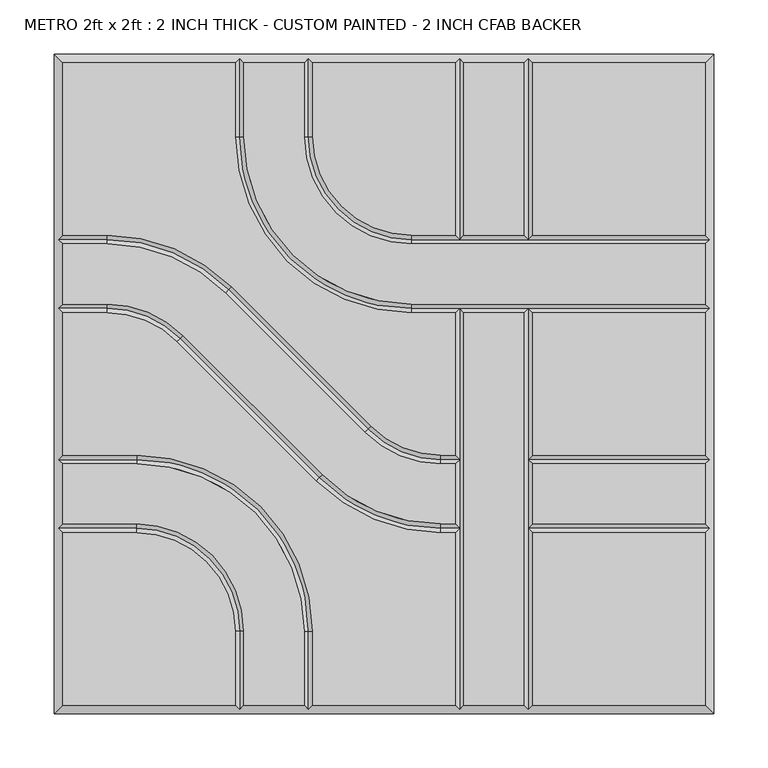
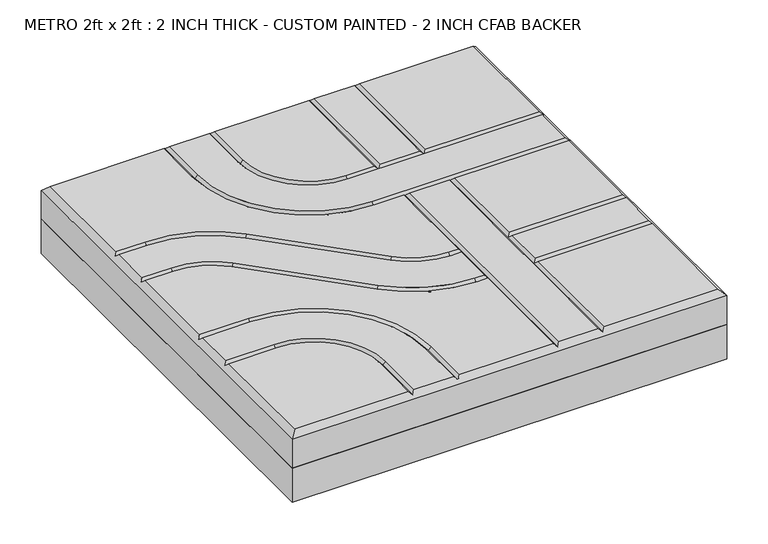
"""IFC4 building model written with IfcOpenShell, lengths in millimetres: proxy geometry, METRO 2ft x 2ft : 2 INCH THICK - CUSTOM PAINTED - 2 INCH CFAB BACKER."""

from ifc_helpers import new_model, si_unit, frame, origin, place, context, project, spatial, polyline, circle_curve, outline, extrude, source, transform, mapped, element, save
from ifc_brep_helpers import plane_surface, revolved_surface, advanced_brep


def metro_2ft_x_2ft_2_inch_thick_custom_painted_2_inch_cfab_a414dcf1(model_context):
    return source(origin(), model_context, "Body", "SolidModel", [
        extrude(outline(polyline([(-304.8, 304.8), (304.8, 304.8), (304.8, -304.8), (-304.8, -304.8), (-304.8, 304.8)])), frame((0.0, 0.0, -50.8), z_axis=(0.0, 0.0, 1.0), x_axis=(1.0, 0.0, 0.0)), (0.0, 0.0, 1.0), 50.8),
        advanced_brep(
        [(-296.799, 296.799, 50.8), (-296.799, 137.3505125, 50.8), (-255.8081898, 137.3505125, 50.8), (-140.7286116, 89.6843987, 50.8), (-11.9143433, -39.124488, 50.8), (52.607449, -65.8495, 50.8), (65.8495, -65.8495, 50.8), (65.8495, 65.8494982, 50.8), (25.3995376, 65.8494982, 50.8), (-137.3509624, 228.5999982, 50.8), (-137.3509624, 296.799, 50.8), (296.799, 137.3504983, 50.8), (296.799, 296.799, 50.8), (137.3504989, 296.799, 50.8), (137.3504989, 137.3504983, 50.8), (-296.799, -137.3504992, 50.8), (-296.799, -296.799, 50.8), (-137.3505299, -296.799, 50.8), (-137.3505299, -228.5999992, 50.8), (-228.6000299, -137.3504992, 50.8), (137.3505, -296.799, 50.8), (296.799, -296.799, 50.8), (296.799, -137.3505, 50.8), (137.3505, -137.3505, 50.8), (52.607449, -73.8505, 50.8), (-17.5717865, -44.7821676, 50.8), (-146.3860548, 84.0267191, 50.8), (-255.8081898, 129.3495125, 50.8), (-296.799, 129.3495125, 50.8), (-296.799, 73.8505125, 50.8), (-255.8074396, 73.8505125, 50.8), (-185.6278585, 44.7818346, 50.8), (-56.8157432, -84.0261678, 50.8), (52.6069307, -129.3495, 50.8), (65.8495, -129.3495, 50.8), (65.8495, -73.8505, 50.8), (52.6069307, -137.3505, 50.8), (-62.4732142, -89.6838195, 50.8), (-191.2853295, 39.1241829, 50.8), (-255.8074396, 65.8495125, 50.8), (-296.799, 65.8495125, 50.8), (-296.799, -65.8494992, 50.8), (-228.6000171, -65.8494992, 50.8), (-65.8495171, -228.5999992, 50.8), (-65.8495171, -296.799, 50.8), (65.8495, -296.799, 50.8), (65.8495, -137.3505, 50.8), (-129.3495299, -228.5999992, 50.8), (-129.3495299, -296.799, 50.8), (-73.8505171, -296.799, 50.8), (-73.8505171, -228.5999992, 50.8), (-228.6000171, -73.8504992, 50.8), (-296.799, -73.8504992, 50.8), (-296.799, -129.3494992, 50.8), (-228.6000299, -129.3494992, 50.8), (-129.3499624, 296.799, 50.8), (-129.3499624, 228.5999982, 50.8), (25.3995376, 73.8504982, 50.8), (296.799, 73.8504982, 50.8), (296.799, 129.3494983, 50.8), (25.3995504, 129.3494983, 50.8), (-73.8509496, 228.5999983, 50.8), (-73.8509496, 296.799, 50.8), (-65.8499496, 296.799, 50.8), (-65.8499496, 228.5999983, 50.8), (25.3995504, 137.3504983, 50.8), (65.8494989, 137.3504983, 50.8), (65.8494989, 296.799, 50.8), (73.8504989, 296.799, 50.8), (73.8504989, 137.3504983, 50.8), (129.3494989, 137.3504983, 50.8), (129.3494989, 296.799, 50.8), (73.8505, 65.8494982, 50.8), (73.8505, -296.799, 50.8), (129.3495, -296.799, 50.8), (129.3495, 65.8494982, 50.8), (296.799, 65.8494982, 50.8), (137.3505, 65.8494982, 50.8), (137.3505, -65.8495, 50.8), (296.799, -65.8495, 50.8), (137.3505, -129.3495, 50.8), (296.799, -129.3495, 50.8), (296.799, -73.8505, 50.8), (137.3505, -73.8505, 50.8), (-304.8, 304.8, 0.0), (304.8, 304.8, 0.0), (304.8, -304.8, 0.0), (-304.8, -304.8, 0.0), (-304.8, -304.8, 42.799), (-304.8, 304.8, 42.799), (304.8, -304.8, 42.799), (304.8, 304.8, 42.799), (-133.3504624, 300.7995, 46.7995), (-69.8504496, 300.7995, 46.7995), (69.8499989, 300.7995, 46.7995), (133.3499989, 300.7995, 46.7995), (-300.7995, -133.3499992, 46.7995), (-300.7995, -69.8499992, 46.7995), (-300.7995, 69.8500125, 46.7995), (-300.7995, 133.3500125, 46.7995), (133.35, -300.7995, 46.7995), (69.85, -300.7995, 46.7995), (-69.8500171, -300.7995, 46.7995), (-133.3500299, -300.7995, 46.7995), (300.7995, 133.3499983, 46.7995), (300.7995, 69.8499982, 46.7995), (300.7995, -69.85, 46.7995), (300.7995, -133.35, 46.7995), (69.85, -69.85, 46.7995), (52.607449, -69.85, 46.7995), (-14.7430649, -41.9533278, 46.7995), (-143.5573332, 86.8555589, 46.7995), (-255.8081898, 133.3500125, 46.7995), (69.85, -133.35, 46.7995), (52.6069307, -133.35, 46.7995), (-59.6444787, -86.8549936, 46.7995), (-188.456594, 41.9530087, 46.7995), (-255.8074396, 69.8500125, 46.7995), (-133.3500299, -228.5999992, 46.7995), (-228.6000299, -133.3499992, 46.7995), (-228.6000171, -69.8499992, 46.7995), (-69.8500171, -228.5999992, 46.7995), (-133.3504624, 228.5999982, 46.7995), (25.3995376, 69.8499982, 46.7995), (69.85, 69.8499982, 46.7995), (133.35, 69.8499982, 46.7995), (-69.8504496, 228.5999983, 46.7995), (25.3995504, 133.3499983, 46.7995), (133.3499989, 133.3499983, 46.7995), (69.8499989, 133.3499983, 46.7995), (133.35, -133.35, 46.7995), (133.35, -69.85, 46.7995)],
        [
            (0, 1),
            (1, 2),
            (2, 3, circle_curve(frame((-255.8081898, -25.3999875, 50.8), z_axis=(0.0, 0.0, -1.0), x_axis=(0.7070920101993013, 0.7071215518652442, 0.0)), 162.7505)),
            (3, 4),
            (4, 5, circle_curve(frame((52.607449, 25.4, 50.8), z_axis=(0.0, 0.0, 1.0), x_axis=(0.0, -1.0, 0.0)), 91.2495)),
            (5, 6),
            (6, 7),
            (7, 8),
            (8, 9, circle_curve(frame((25.3995376, 228.5999982, 50.8), z_axis=(0.0, 0.0, -1.0), x_axis=(-1.0, 0.0, 0.0)), 162.7505)),
            (9, 10),
            (10, 0),
            (11, 12),
            (12, 13),
            (13, 14),
            (14, 11),
            (15, 16),
            (16, 17),
            (17, 18),
            (18, 19, circle_curve(frame((-228.6000299, -228.5999992, 50.8), z_axis=(0.0, 0.0, 1.0), x_axis=(1.0, 0.0, 0.0)), 91.2495)),
            (19, 15),
            (20, 21),
            (21, 22),
            (22, 23),
            (23, 20),
            (24, 25, circle_curve(frame((52.607449, 25.4, 50.8), z_axis=(0.0, 0.0, -1.0), x_axis=(0.0, -1.0, 0.0)), 99.2505)),
            (25, 26),
            (26, 27, circle_curve(frame((-255.8081898, -25.3999875, 50.8), z_axis=(0.0, 0.0, 1.0), x_axis=(0.7070920101993013, 0.7071215518652442, 0.0)), 154.7495)),
            (27, 28),
            (28, 29),
            (29, 30),
            (30, 31, circle_curve(frame((-255.8074396, -25.3999875, 50.8), z_axis=(0.0, 0.0, -1.0), x_axis=(0.7070954919838734, 0.7071180702089884, 0.0)), 99.2505)),
            (31, 32),
            (32, 33, circle_curve(frame((52.6069307, 25.4, 50.8), z_axis=(0.0, 0.0, 1.0), x_axis=(0.0, -1.0, 0.0)), 154.7495)),
            (33, 34),
            (34, 35),
            (35, 24),
            (36, 37, circle_curve(frame((52.6069307, 25.4, 50.8), z_axis=(0.0, 0.0, -1.0), x_axis=(0.0, -1.0, 0.0)), 162.7505)),
            (37, 38),
            (38, 39, circle_curve(frame((-255.8074396, -25.3999875, 50.8), z_axis=(0.0, 0.0, 1.0), x_axis=(0.7070954919838734, 0.7071180702089884, 0.0)), 91.2495)),
            (39, 40),
            (40, 41),
            (41, 42),
            (42, 43, circle_curve(frame((-228.6000171, -228.5999992, 50.8), z_axis=(0.0, 0.0, -1.0), x_axis=(0.0, 1.0, 0.0)), 162.7505)),
            (43, 44),
            (44, 45),
            (45, 46),
            (46, 36),
            (47, 48),
            (48, 49),
            (49, 50),
            (50, 51, circle_curve(frame((-228.6000171, -228.5999992, 50.8), z_axis=(0.0, 0.0, 1.0), x_axis=(0.0, 1.0, 0.0)), 154.7495)),
            (51, 52),
            (52, 53),
            (53, 54),
            (54, 47, circle_curve(frame((-228.6000299, -228.5999992, 50.8), z_axis=(0.0, 0.0, -1.0), x_axis=(1.0, 0.0, 0.0)), 99.2505)),
            (55, 56),
            (56, 57, circle_curve(frame((25.3995376, 228.5999982, 50.8), z_axis=(0.0, 0.0, 1.0), x_axis=(-1.0, 0.0, 0.0)), 154.7495)),
            (57, 58),
            (58, 59),
            (59, 60),
            (60, 61, circle_curve(frame((25.3995504, 228.5999983, 50.8), z_axis=(0.0, 0.0, -1.0), x_axis=(-1.0, 0.0, 0.0)), 99.2505)),
            (61, 62),
            (62, 55),
            (63, 64),
            (64, 65, circle_curve(frame((25.3995504, 228.5999983, 50.8), z_axis=(0.0, 0.0, 1.0), x_axis=(-1.0, 0.0, 0.0)), 91.2495)),
            (65, 66),
            (66, 67),
            (67, 63),
            (68, 69),
            (69, 70),
            (70, 71),
            (71, 68),
            (72, 73),
            (73, 74),
            (74, 75),
            (75, 72),
            (76, 77),
            (77, 78),
            (78, 79),
            (79, 76),
            (80, 81),
            (81, 82),
            (82, 83),
            (83, 80),
            (84, 85),
            (85, 86),
            (86, 87),
            (87, 84),
            (87, 88),
            (88, 89),
            (89, 84),
            (86, 90),
            (90, 88),
            (85, 91),
            (91, 90),
            (89, 91),
            (89, 0),
            (10, 92),
            (92, 55),
            (62, 93),
            (93, 63),
            (67, 94),
            (94, 68),
            (71, 95),
            (95, 13),
            (12, 91),
            (88, 16),
            (15, 96),
            (96, 53),
            (52, 97),
            (97, 41),
            (40, 98),
            (98, 29),
            (28, 99),
            (99, 1),
            (90, 21),
            (20, 100),
            (100, 74),
            (73, 101),
            (101, 45),
            (44, 102),
            (102, 49),
            (48, 103),
            (103, 17),
            (11, 104),
            (104, 59),
            (58, 105),
            (105, 76),
            (79, 106),
            (106, 82),
            (81, 107),
            (107, 22),
            (108, 109),
            (109, 24),
            (35, 108),
            (108, 6),
            (5, 109),
            (109, 110, circle_curve(frame((52.607449, 25.4, 46.7995), z_axis=(0.0, 0.0, -1.0), x_axis=(0.0, -1.0, 0.0)), 95.25)),
            (110, 25),
            (4, 110),
            (110, 111),
            (111, 26),
            (3, 111),
            (111, 112, circle_curve(frame((-255.8081898, -25.3999875, 46.7995), z_axis=(0.0, 0.0, 1.0), x_axis=(0.7070920101993013, 0.7071215518652442, 0.0)), 158.75)),
            (112, 27),
            (2, 112),
            (112, 99),
            (113, 114),
            (114, 36),
            (46, 113),
            (113, 34),
            (33, 114),
            (114, 115, circle_curve(frame((52.6069307, 25.4, 46.7995), z_axis=(0.0, 0.0, -1.0), x_axis=(0.0, -1.0, 0.0)), 158.75)),
            (115, 37),
            (32, 115),
            (115, 116),
            (116, 38),
            (31, 116),
            (116, 117, circle_curve(frame((-255.8074396, -25.3999875, 46.7995), z_axis=(0.0, 0.0, 1.0), x_axis=(0.7070954919838734, 0.7071180702089884, 0.0)), 95.25)),
            (117, 39),
            (30, 117),
            (117, 98),
            (118, 18),
            (103, 118),
            (47, 118),
            (118, 119, circle_curve(frame((-228.6000299, -228.5999992, 46.7995), z_axis=(0.0, 0.0, 1.0), x_axis=(1.0, 0.0, 0.0)), 95.25)),
            (119, 19),
            (54, 119),
            (119, 96),
            (120, 42),
            (97, 120),
            (51, 120),
            (120, 121, circle_curve(frame((-228.6000171, -228.5999992, 46.7995), z_axis=(0.0, 0.0, -1.0), x_axis=(0.0, 1.0, 0.0)), 158.75)),
            (121, 43),
            (50, 121),
            (121, 102),
            (122, 56),
            (92, 122),
            (9, 122),
            (122, 123, circle_curve(frame((25.3995376, 228.5999982, 46.7995), z_axis=(0.0, 0.0, 1.0), x_axis=(-1.0, 0.0, 0.0)), 158.75)),
            (123, 57),
            (8, 123),
            (123, 124),
            (124, 125),
            (125, 105),
            (125, 77),
            (7, 124),
            (124, 72),
            (75, 125),
            (126, 64),
            (93, 126),
            (61, 126),
            (126, 127, circle_curve(frame((25.3995504, 228.5999983, 46.7995), z_axis=(0.0, 0.0, 1.0), x_axis=(-1.0, 0.0, 0.0)), 95.25)),
            (127, 65),
            (60, 127),
            (14, 128),
            (128, 104),
            (127, 129),
            (129, 66),
            (69, 129),
            (129, 128),
            (128, 70),
            (129, 94),
            (128, 95),
            (108, 124),
            (113, 108),
            (101, 113),
            (100, 130),
            (130, 131),
            (131, 125),
            (23, 130),
            (131, 78),
            (130, 80),
            (83, 131),
            (107, 130),
            (106, 131),
        ],
        [
            plane_surface(frame((-304.8, 304.8, 50.8), z_axis=(0.0, 0.0, 1.0), x_axis=(0.0, -1.0, 0.0))),
            plane_surface(frame((-304.8, 304.8, 0.0), z_axis=(0.0, 0.0, -1.0), x_axis=(0.0, 1.0, 0.0))),
            plane_surface(frame((-304.8, 304.8, 50.8), z_axis=(-1.0, 0.0, 0.0), x_axis=(0.0, 0.0, -1.0))),
            plane_surface(frame((-304.8, -304.8, 50.8), z_axis=(0.0, -1.0, 0.0), x_axis=(0.0, 0.0, -1.0))),
            plane_surface(frame((304.8, -304.8, 50.8), z_axis=(1.0, 0.0, 0.0), x_axis=(0.0, 0.0, -1.0))),
            plane_surface(frame((304.8, 304.8, 50.8), z_axis=(0.0, 1.0, 0.0), x_axis=(0.0, 0.0, -1.0))),
            plane_surface(frame((296.799, 296.799, 50.8), z_axis=(0.0, 0.707106781186547, 0.7071067811865481), x_axis=(-1.0, 0.0, 0.0))),
            plane_surface(frame((-296.799, 296.799, 50.8), z_axis=(-0.707106781186547, 0.0, 0.7071067811865481), x_axis=(0.0, -1.0, 0.0))),
            plane_surface(frame((-296.799, -296.799, 50.8), z_axis=(0.0, -0.707106781186547, 0.7071067811865481), x_axis=(1.0, 0.0, 0.0))),
            plane_surface(frame((296.799, -296.799, 50.8), z_axis=(0.707106781186547, 0.0, 0.7071067811865481), x_axis=(0.0, 1.0, 0.0))),
            plane_surface(frame((69.85, -73.8505, 50.8), z_axis=(0.0, 0.7071067811865469, 0.7071067811865482), x_axis=(-1.0, 0.0, 0.0))),
            plane_surface(frame((69.85, -69.85, 46.7995), z_axis=(0.0, -0.7071067811865469, 0.7071067811865482), x_axis=(-1.0, 0.0, 0.0))),
            revolved_surface(polyline([(52.607449, -69.85, 46.7995), (52.607449, -73.8505, 50.8)]), (52.607449, 25.4, 50.8), (0.0, 0.0, -1.0)),
            revolved_surface(polyline([(52.607449, -65.8495, 50.8), (52.607449, -69.85, 46.7995)]), (52.607449, 25.4, 50.8), (0.0, 0.0, -1.0)),
            plane_surface(frame((-17.5717865, -44.7821676, 50.8), z_axis=(0.49998955533475287, 0.5000104444470687, 0.7071067811865481), x_axis=(-0.7071215518652442, 0.7070920101993012, 0.0))),
            plane_surface(frame((-14.7430649, -41.9533278, 46.7995), z_axis=(-0.49998955533475287, -0.5000104444470689, 0.7071067811865483), x_axis=(-0.7071215518652444, 0.7070920101993012, 0.0))),
            revolved_surface(polyline([(-143.5573332, 86.8555589, 46.7995), (-146.3860548, 84.0267191, 50.8)]), (-255.8081898, -25.3999875, 50.8), (0.0, 0.0, 1.0)),
            revolved_surface(polyline([(-140.7286116, 89.6843987, 50.8), (-143.5573332, 86.8555589, 46.7995)]), (-255.8081898, -25.3999875, 50.8), (0.0, 0.0, 1.0)),
            plane_surface(frame((-255.8081898, 129.3495125, 50.8), z_axis=(0.0, 0.7071067811865469, 0.7071067811865482), x_axis=(-1.0, 0.0, 0.0))),
            plane_surface(frame((-255.8081898, 133.3500125, 46.7995), z_axis=(0.0, -0.7071067811865469, 0.7071067811865482), x_axis=(-1.0, 0.0, 0.0))),
            plane_surface(frame((69.85, -137.3505, 50.8), z_axis=(0.0, 0.7071067811865471, 0.707106781186548), x_axis=(-1.0, 0.0, 0.0))),
            plane_surface(frame((69.85, -133.35, 46.7995), z_axis=(0.0, -0.7071067811865471, 0.707106781186548), x_axis=(-1.0, 0.0, 0.0))),
            revolved_surface(polyline([(52.6069307, -133.35, 46.7995), (52.6069307, -137.3505, 50.8)]), (52.6069307, 25.4, 50.8), (0.0, 0.0, -1.0)),
            revolved_surface(polyline([(52.6069307, -129.3495, 50.8), (52.6069307, -133.35, 46.7995)]), (52.6069307, 25.4, 50.8), (0.0, 0.0, -1.0)),
            plane_surface(frame((-62.4732142, -89.6838195, 50.8), z_axis=(0.49999201732823445, 0.5000079825443209, 0.7071067811865479), x_axis=(-0.7071180702089888, 0.7070954919838731, 0.0))),
            plane_surface(frame((-59.6444787, -86.8549936, 46.7995), z_axis=(-0.49999201732823445, -0.5000079825443208, 0.707106781186548), x_axis=(-0.7071180702089888, 0.7070954919838732, 0.0))),
            revolved_surface(polyline([(-188.456594, 41.9530087, 46.7995), (-191.2853295, 39.1241829, 50.8)]), (-255.8074396, -25.3999875, 50.8), (0.0, 0.0, 1.0)),
            revolved_surface(polyline([(-185.6278585, 44.7818346, 50.8), (-188.456594, 41.9530087, 46.7995)]), (-255.8074396, -25.3999875, 50.8), (0.0, 0.0, 1.0)),
            plane_surface(frame((-255.8074396, 65.8495125, 50.8), z_axis=(0.0, 0.7071067811865472, 0.7071067811865479), x_axis=(-1.0, 0.0, 0.0))),
            plane_surface(frame((-255.8074396, 69.8500125, 46.7995), z_axis=(0.0, -0.7071067811865472, 0.7071067811865479), x_axis=(-1.0, 0.0, 0.0))),
            plane_surface(frame((-137.3505299, -304.8, 50.8), z_axis=(0.707106781186547, 0.0, 0.7071067811865481), x_axis=(0.0, 1.0, 0.0))),
            plane_surface(frame((-133.3500299, -304.8, 46.7995), z_axis=(-0.707106781186547, 0.0, 0.7071067811865481), x_axis=(0.0, 1.0, 0.0))),
            revolved_surface(polyline([(-133.3500299, -228.5999992, 46.7995), (-137.3505299, -228.5999992, 50.8)]), (-228.6000299, -228.5999992, 50.8), (0.0, 0.0, 1.0)),
            revolved_surface(polyline([(-129.3495299, -228.5999992, 50.8), (-133.3500299, -228.5999992, 46.7995)]), (-228.6000299, -228.5999992, 50.8), (0.0, 0.0, 1.0)),
            plane_surface(frame((-228.6000299, -137.3504992, 50.8), z_axis=(0.0, 0.707106781186547, 0.7071067811865481), x_axis=(-1.0, 0.0, 0.0))),
            plane_surface(frame((-228.6000299, -133.3499992, 46.7995), z_axis=(0.0, -0.707106781186547, 0.7071067811865481), x_axis=(-1.0, 0.0, 0.0))),
            plane_surface(frame((-304.8, -65.8494992, 50.8), z_axis=(0.0, -0.707106781186547, 0.7071067811865481), x_axis=(1.0, 0.0, 0.0))),
            plane_surface(frame((-304.8, -69.8499992, 46.7995), z_axis=(0.0, 0.707106781186547, 0.7071067811865481), x_axis=(1.0, 0.0, 0.0))),
            revolved_surface(polyline([(-228.6000171, -69.8499992, 46.7995), (-228.6000171, -65.8494992, 50.8)]), (-228.6000171, -228.5999992, 50.8), (0.0, 0.0, -1.0)),
            revolved_surface(polyline([(-228.6000171, -73.8504992, 50.8), (-228.6000171, -69.8499992, 46.7995)]), (-228.6000171, -228.5999992, 50.8), (0.0, 0.0, -1.0)),
            plane_surface(frame((-65.8495171, -228.5999992, 50.8), z_axis=(-0.707106781186547, 0.0, 0.7071067811865481), x_axis=(0.0, -1.0, 0.0))),
            plane_surface(frame((-69.8500171, -228.5999992, 46.7995), z_axis=(0.707106781186547, 0.0, 0.7071067811865481), x_axis=(0.0, -1.0, 0.0))),
            plane_surface(frame((-129.3499624, 304.8, 50.8), z_axis=(-0.707106781186547, 0.0, 0.7071067811865481), x_axis=(0.0, -1.0, 0.0))),
            plane_surface(frame((-133.3504624, 304.8, 46.7995), z_axis=(0.707106781186547, 0.0, 0.7071067811865481), x_axis=(0.0, -1.0, 0.0))),
            revolved_surface(polyline([(-133.3504624, 228.5999982, 46.7995), (-129.3499624, 228.5999982, 50.8)]), (25.3995376, 228.5999982, 50.8), (0.0, 0.0, 1.0)),
            revolved_surface(polyline([(-137.3509624, 228.5999982, 50.8), (-133.3504624, 228.5999982, 46.7995)]), (25.3995376, 228.5999982, 50.8), (0.0, 0.0, 1.0)),
            plane_surface(frame((25.3995376, 73.8504982, 50.8), z_axis=(0.0, -0.707106781186547, 0.7071067811865481), x_axis=(1.0, 0.0, 0.0))),
            plane_surface(frame((25.3995376, 69.8499982, 46.7995), z_axis=(0.0, 0.707106781186547, 0.7071067811865481), x_axis=(1.0, 0.0, 0.0))),
            plane_surface(frame((-65.8499496, 304.8, 50.8), z_axis=(-0.707106781186547, 0.0, 0.7071067811865481), x_axis=(0.0, -1.0, 0.0))),
            plane_surface(frame((-69.8504496, 304.8, 46.7995), z_axis=(0.707106781186547, 0.0, 0.7071067811865481), x_axis=(0.0, -1.0, 0.0))),
            revolved_surface(polyline([(-69.8504496, 228.5999983, 46.7995), (-65.8499496, 228.5999983, 50.8)]), (25.3995504, 228.5999983, 50.8), (0.0, 0.0, 1.0)),
            revolved_surface(polyline([(-73.8509496, 228.5999983, 50.8), (-69.8504496, 228.5999983, 46.7995)]), (25.3995504, 228.5999983, 50.8), (0.0, 0.0, 1.0)),
            plane_surface(frame((25.3995504, 137.3504983, 50.8), z_axis=(0.0, -0.707106781186547, 0.7071067811865481), x_axis=(1.0, 0.0, 0.0))),
            plane_surface(frame((25.3995504, 133.3499983, 46.7995), z_axis=(0.0, 0.707106781186547, 0.7071067811865481), x_axis=(1.0, 0.0, 0.0))),
            plane_surface(frame((65.8494989, 133.35, 50.8), z_axis=(0.707106781186547, 0.0, 0.7071067811865481), x_axis=(0.0, 1.0, 0.0))),
            plane_surface(frame((69.8499989, 133.35, 46.7995), z_axis=(-0.707106781186547, 0.0, 0.7071067811865481), x_axis=(0.0, 1.0, 0.0))),
            plane_surface(frame((129.3494989, 133.35, 50.8), z_axis=(0.707106781186547, 0.0, 0.7071067811865481), x_axis=(0.0, 1.0, 0.0))),
            plane_surface(frame((133.3499989, 133.35, 46.7995), z_axis=(-0.707106781186547, 0.0, 0.7071067811865481), x_axis=(0.0, 1.0, 0.0))),
            plane_surface(frame((65.8495, -304.8, 50.8), z_axis=(0.707106781186547, 0.0, 0.7071067811865481), x_axis=(0.0, 1.0, 0.0))),
            plane_surface(frame((69.85, -304.8, 46.7995), z_axis=(-0.707106781186547, 0.0, 0.7071067811865481), x_axis=(0.0, 1.0, 0.0))),
            plane_surface(frame((129.3495, -304.8, 50.8), z_axis=(0.707106781186547, 0.0, 0.7071067811865481), x_axis=(0.0, 1.0, 0.0))),
            plane_surface(frame((133.35, -304.8, 46.7995), z_axis=(-0.707106781186547, 0.0, 0.7071067811865481), x_axis=(0.0, 1.0, 0.0))),
            plane_surface(frame((304.8, -137.3505, 50.8), z_axis=(0.0, 0.707106781186547, 0.7071067811865481), x_axis=(-1.0, 0.0, 0.0))),
            plane_surface(frame((304.8, -133.35, 46.7995), z_axis=(0.0, -0.707106781186547, 0.7071067811865481), x_axis=(-1.0, 0.0, 0.0))),
            plane_surface(frame((304.8, -73.8505, 50.8), z_axis=(0.0, 0.707106781186547, 0.7071067811865481), x_axis=(-1.0, 0.0, 0.0))),
            plane_surface(frame((304.8, -69.85, 46.7995), z_axis=(0.0, -0.707106781186547, 0.7071067811865481), x_axis=(-1.0, 0.0, 0.0))),
        ],
        [
            (0, [[1, 2, 3, 4, 5, 6, 7, 8, 9, 10, 11]]),
            (0, [[12, 13, 14, 15]]),
            (0, [[16, 17, 18, 19, 20]]),
            (0, [[21, 22, 23, 24]]),
            (0, [[25, 26, 27, 28, 29, 30, 31, 32, 33, 34, 35, 36]]),
            (0, [[37, 38, 39, 40, 41, 42, 43, 44, 45, 46, 47]]),
            (0, [[48, 49, 50, 51, 52, 53, 54, 55]]),
            (0, [[56, 57, 58, 59, 60, 61, 62, 63]]),
            (0, [[64, 65, 66, 67, 68]]),
            (0, [[69, 70, 71, 72]]),
            (0, [[73, 74, 75, 76]]),
            (0, [[77, 78, 79, 80]]),
            (0, [[81, 82, 83, 84]]),
            (1, [[85, 86, 87, 88]]),
            (2, [[-88, 89, 90, 91]]),
            (3, [[-87, 92, 93, -89]]),
            (4, [[-86, 94, 95, -92]]),
            (5, [[-85, -91, 96, -94]]),
            (6, [[97, -11, 98, 99, -63, 100, 101, -68, 102, 103, -72, 104, 105, -13, 106, -96]]),
            (7, [[-97, -90, 107, -16, 108, 109, -53, 110, 111, -41, 112, 113, -29, 114, 115, -1]]),
            (8, [[-107, -93, 116, -21, 117, 118, -74, 119, 120, -45, 121, 122, -49, 123, 124, -17]]),
            (9, [[-106, -12, 125, 126, -59, 127, 128, -80, 129, 130, -82, 131, 132, -22, -116, -95]]),
            (10, [[133, 134, -36, 135]]),
            (11, [[-133, 136, -6, 137]]),
            (12, [[-134, 138, 139, -25]]),
            (13, [[-137, -5, 140, -138]]),
            (14, [[-139, 141, 142, -26]]),
            (15, [[-140, -4, 143, -141]]),
            (16, [[-142, 144, 145, -27]]),
            (17, [[-143, -3, 146, -144]]),
            (18, [[-145, 147, -114, -28]]),
            (19, [[-146, -2, -115, -147]]),
            (20, [[148, 149, -47, 150]]),
            (21, [[-148, 151, -34, 152]]),
            (22, [[-149, 153, 154, -37]]),
            (23, [[-152, -33, 155, -153]]),
            (24, [[-154, 156, 157, -38]]),
            (25, [[-155, -32, 158, -156]]),
            (26, [[-157, 159, 160, -39]]),
            (27, [[-158, -31, 161, -159]]),
            (28, [[-160, 162, -112, -40]]),
            (29, [[-161, -30, -113, -162]]),
            (30, [[163, -18, -124, 164]]),
            (31, [[165, -164, -123, -48]]),
            (32, [[-163, 166, 167, -19]]),
            (33, [[-165, -55, 168, -166]]),
            (34, [[-167, 169, -108, -20]]),
            (35, [[-168, -54, -109, -169]]),
            (36, [[170, -42, -111, 171]]),
            (37, [[172, -171, -110, -52]]),
            (38, [[-170, 173, 174, -43]]),
            (39, [[-172, -51, 175, -173]]),
            (40, [[-174, 176, -121, -44]]),
            (41, [[-175, -50, -122, -176]]),
            (42, [[177, -56, -99, 178]]),
            (43, [[179, -178, -98, -10]]),
            (44, [[-177, 180, 181, -57]]),
            (45, [[-179, -9, 182, -180]]),
            (46, [[-181, 183, 184, 185, -127, -58]]),
            (47, [[-128, -185, 186, -77]]),
            (47, [[-182, -8, 187, -183]]),
            (47, [[188, -76, 189, -184]]),
            (48, [[190, -64, -101, 191]]),
            (49, [[192, -191, -100, -62]]),
            (50, [[-190, 193, 194, -65]]),
            (51, [[-192, -61, 195, -193]]),
            (52, [[-125, -15, 196, 197]]),
            (52, [[-194, 198, 199, -66]]),
            (52, [[200, 201, 202, -70]]),
            (53, [[-195, -60, -126, -197, -201, -198]]),
            (54, [[203, -102, -67, -199]]),
            (55, [[-203, -200, -69, -103]]),
            (56, [[204, -104, -71, -202]]),
            (57, [[-204, -196, -14, -105]]),
            (58, [[205, -187, -7, -136]]),
            (58, [[206, -135, -35, -151]]),
            (58, [[207, -150, -46, -120]]),
            (59, [[-205, -206, -207, -119, -73, -188]]),
            (60, [[-75, -118, 208, 209, 210, -189]]),
            (61, [[-117, -24, 211, -208]]),
            (61, [[-186, -210, 212, -78]]),
            (61, [[213, -84, 214, -209]]),
            (62, [[215, -211, -23, -132]]),
            (63, [[-215, -131, -81, -213]]),
            (64, [[216, -214, -83, -130]]),
            (65, [[-216, -129, -79, -212]]),
        ],
    ),
    ])


if __name__ == "__main__":
    model = new_model("IFC4")
    model_context = context("Model", 3, world=origin())
    ifc_project = project(units=[si_unit("LENGTHUNIT", "METRE", prefix="MILLI")], contexts=[model_context])
    site = spatial("IfcSite", under=ifc_project)
    building = spatial("IfcBuilding", under=site)
    placement = place(None, origin())
    metro_2ft_x_2ft_2_inch_thick_custom_painted_2_inch_cfab_shape = metro_2ft_x_2ft_2_inch_thick_custom_painted_2_inch_cfab_a414dcf1(model_context)
    element("IfcBuildingElementProxy", 1, Name="METRO 2ft x 2ft : 2 INCH THICK - CUSTOM PAINTED - 2 INCH CFAB BACKER", ObjectType="METRO 2ft x 2ft : 2 INCH THICK - CUSTOM PAINTED - 2 INCH CFAB BACKER", at=placement, inside=building, context=model_context, shape_type="MappedRepresentation", body=[
        mapped(metro_2ft_x_2ft_2_inch_thick_custom_painted_2_inch_cfab_shape, transform((0.0, 0.0, 0.0), x_axis=(1.0, 0.0, 0.0), y_axis=(0.0, 1.0, 0.0), z_axis=(0.0, 0.0, 1.0))),
    ])
    save(model, "model.ifc")
